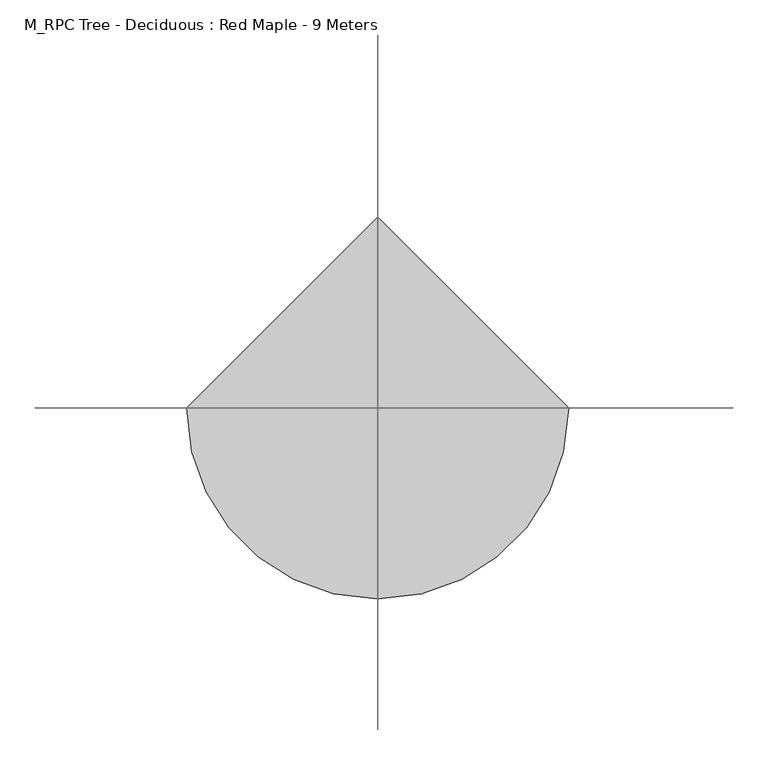
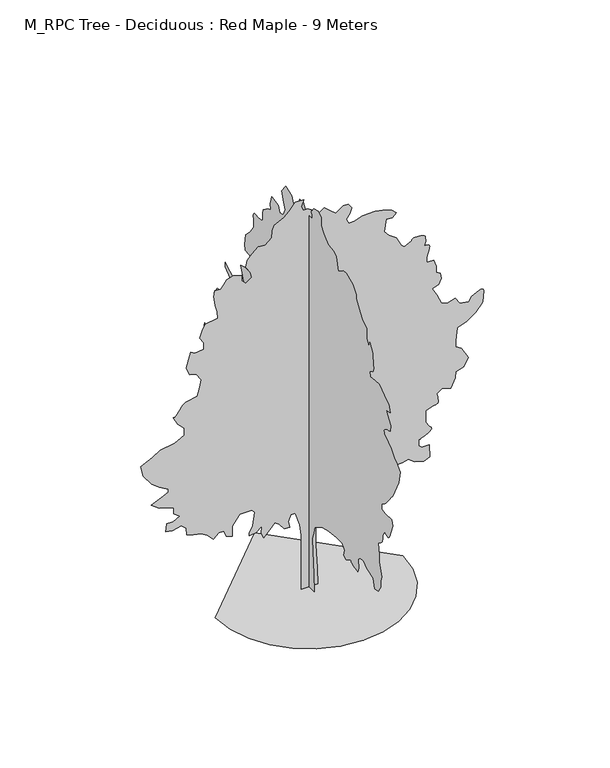
"""IFC4 building model written with IfcOpenShell, lengths in millimetres: geographic element geometry, M_RPC Tree - Deciduous : Red Maple - 9 Meters."""

from ifc_helpers import new_model, si_unit, origin, place, context, project, spatial, triangles, source, transform, mapped, element, save


def m_rpc_tree_deciduous_red_maple_9_meters_3358a221(model_context):
    return source(origin(), model_context, "Body", "Tessellation", [
        triangles([(5.8e-06, 197.3661507, 0.0129526), (5.8e-06, -197.3841547, 0.0129526), (5.8e-06, -171.0676469, 394.7628227), (5.8e-06, -144.750367, 907.9407286), (5.8e-06, -131.5926036, 1197.4234949), (5.8e-06, -171.0676469, 1342.1660408), (5.8e-06, -223.7014255, 1513.2237682), (5.8e-06, -315.8102654, 1565.8587822), (5.8e-06, -526.342909, 1684.2838211), (5.8e-06, -750.035614, 1736.9163643), (5.8e-06, -1052.6783329, 1776.3914257), (5.8e-06, -1263.2109764, 1776.3914257), (5.8e-06, -1355.318581, 1671.1238686), (5.8e-06, -1315.8435196, 1526.38125), (5.8e-06, -1421.1110767, 1486.9061886), (5.8e-06, -1592.1712749, 1579.016264), (5.8e-06, -1595.2388203, 1567.7362839), (5.8e-06, -1599.8038033, 1556.4587746), (5.8e-06, -1607.3613361, 1545.1812653), (5.8e-06, -1619.4088566, 1533.9012852), (5.8e-06, -1637.4388607, 1522.6237759), (5.8e-06, -1662.9487862, 1511.3436504), (5.8e-06, -1697.4363613, 1500.0661411), (5.8e-06, -1733.4588718, 1490.3212418), (5.8e-06, -1763.2689709, 1483.3386738), (5.8e-06, -1787.8963921, 1478.6611977), (5.8e-06, -1808.3814789, 1475.8212547), (5.8e-06, -1825.7589066, 1474.3636402), (5.8e-06, -1841.0665478, 1473.826173), (5.8e-06, -1855.3364616, 1473.7487068), (5.8e-06, -1881.6540413, 1565.8587822), (5.8e-06, -1868.4965595, 1763.2339439), (5.8e-06, -1947.446537, 1842.1839214), (5.8e-06, -2079.029203, 1855.3415485), (5.8e-06, -2184.2967602, 1750.0738461), (5.8e-06, -2434.3044651, 1671.1238686), (5.8e-06, -2500.1020477, 1473.7487068), (5.8e-06, -2618.5270866, 1486.9061886), (5.8e-06, -2723.7770576, 1644.8087597), (5.8e-06, -2723.7770576, 1776.3914257), (5.8e-06, -2750.102195, 1881.6589828), (5.8e-06, -2658.0020027, 2184.299231), (5.8e-06, -2658.0020027, 2355.3594292), (5.8e-06, -2631.6771561, 2618.5270866), (5.8e-06, -2634.7022621, 2618.6770775), (5.8e-06, -2639.0019997, 2619.7520119), (5.8e-06, -2645.8271645, 2622.677124), (5.8e-06, -2656.4520973, 2628.3520683), (5.8e-06, -2672.1523018, 2637.702079), (5.8e-06, -2694.1771202, 2651.6770981), (5.8e-06, -2723.7770576, 2671.1520721), (5.8e-06, -2752.6273315, 2695.2520546), (5.8e-06, -2772.5022812, 2722.1021599), (5.8e-06, -2784.9021057, 2751.2521248), (5.8e-06, -2791.3022964, 2782.2522675), (5.8e-06, -2793.227179, 2814.6273262), (5.8e-06, -2792.1522446, 2847.9273285), (5.8e-06, -2789.5771111, 2881.7023018), (5.8e-06, -2868.5272339, 3013.2774101), (5.8e-06, -2899.4523811, 2993.9524269), (5.8e-06, -2929.8022728, 2977.0272972), (5.8e-06, -2958.9775269, 2964.9524529), (5.8e-06, -2986.4523033, 2960.1024582), (5.8e-06, -3011.6275108, 2964.9524529), (5.8e-06, -3033.902314, 2981.8522934), (5.8e-06, -3052.7523262, 3013.2774101), (5.8e-06, -3184.3274345, 3329.0776108), (5.8e-06, -3144.8525185, 3460.6527191), (5.8e-06, -2894.8523712, 3447.5026497), (5.8e-06, -2750.102195, 3460.6527191), (5.8e-06, -2763.2522644, 3592.2528259), (5.8e-06, -2797.1272316, 3612.2280602), (5.8e-06, -2831.2521835, 3633.7029121), (5.8e-06, -2865.8024002, 3658.1778717), (5.8e-06, -2901.0522835, 3687.1528473), (5.8e-06, -2937.227401, 3722.1030396), (5.8e-06, -2974.5774467, 3764.5280663), (5.8e-06, -3013.2774101, 3815.9281265), (5.8e-06, -3049.3025368, 3866.5782326), (5.8e-06, -3079.102462, 3906.8530998), (5.8e-06, -3103.7274124, 3938.5032028), (5.8e-06, -3124.2276146, 3963.2531456), (5.8e-06, -3141.6024261, 3982.8031151), (5.8e-06, -3156.902655, 3998.9282936), (5.8e-06, -3171.1776558, 4013.3032883), (5.8e-06, -3394.8776642, 4460.7035957), (5.8e-06, -3460.6527191, 4750.1789497), (5.8e-06, -3315.9275414, 4908.0789047), (5.8e-06, -3250.1274879, 4921.2292648), (5.8e-06, -3105.3776024, 5105.4540665), (5.8e-06, -3013.2774101, 5171.2541199), (5.8e-06, -2976.8773064, 5188.2792435), (5.8e-06, -2941.9524033, 5206.0043243), (5.8e-06, -2910.027317, 5225.1043213), (5.8e-06, -2882.6022469, 5246.2791916), (5.8e-06, -2861.1773918, 5270.2294739), (5.8e-06, -2847.2023727, 5297.6045471), (5.8e-06, -2842.2023872, 5329.1543655), (5.8e-06, -2849.1272552, 5359.9042328), (5.8e-06, -2868.4522385, 5385.1544357), (5.8e-06, -2898.1524605, 5405.8043381), (5.8e-06, -2936.1274681, 5422.7544662), (5.8e-06, -2980.3273865, 5436.9541809), (5.8e-06, -3028.6523438, 5449.3045898), (5.8e-06, -3079.0524651, 5460.7294739), (5.8e-06, -3092.227533, 5605.4793594), (5.8e-06, -3026.4274796, 5710.7293304), (5.8e-06, -2921.1522194, 5855.4797974), (5.8e-06, -3079.0524651, 5894.9547134), (5.8e-06, -3026.4274796, 6052.8549591), (5.8e-06, -2855.3771645, 6158.1299286), (5.8e-06, -2658.0020027, 6302.8548157), (5.8e-06, -2486.9394791, 6289.7050369), (5.8e-06, -2329.0393787, 6276.5552582), (5.8e-06, -2302.7217991, 6381.8052292), (5.8e-06, -2381.6719219, 6434.4549225), (5.8e-06, -2395.6744102, 6437.4803192), (5.8e-06, -2409.1019337, 6441.7800568), (5.8e-06, -2421.3769112, 6448.6052216), (5.8e-06, -2431.9269939, 6459.2301544), (5.8e-06, -2440.174601, 6474.9303589), (5.8e-06, -2445.5443314, 6496.9551773), (5.8e-06, -2447.464563, 6526.5551147), (5.8e-06, -2446.3120171, 6563.455188), (5.8e-06, -2443.0918648, 6605.8805054), (5.8e-06, -2438.1420216, 6652.9305405), (5.8e-06, -2431.81203, 6703.6303528), (5.8e-06, -2424.4469273, 6757.1055771), (5.8e-06, -2416.3894249, 6812.4306885), (5.8e-06, -2407.9895016, 6868.6807434), (5.8e-06, -2302.7217991, 7052.905545), (5.8e-06, -2263.246883, 6947.6305756), (5.8e-06, -2197.4542419, 7066.0559052), (5.8e-06, -2197.4542419, 7316.0557617), (5.8e-06, -2026.3966599, 7421.3307312), (5.8e-06, -1907.9714756, 7579.2309769), (5.8e-06, -1789.5464367, 7750.2810013), (5.8e-06, -1789.5464367, 7842.406192), (5.8e-06, -1657.9612999, 8000.3064377), (5.8e-06, -1421.1110767, 8118.7317673), (5.8e-06, -1289.5285561, 8092.4066299), (5.8e-06, -1118.4684305, 7973.9813004), (5.8e-06, -1026.3608259, 8263.4566544), (5.8e-06, -934.2507505, 8329.2567078), (5.8e-06, -723.718107, 8355.5818451), (5.8e-06, -565.8179704, 8513.4820908), (5.8e-06, -460.552884, 8631.906839), (5.8e-06, -460.552884, 8816.1072235), (5.8e-06, -342.1277724, 8895.0570557), (5.8e-06, -184.2254012, 8855.5821396), (5.8e-06, -92.1178238, 8737.15681), (5.8e-06, -105.8898393, 8706.3569458), (5.8e-06, -117.7053427, 8676.8070053), (5.8e-06, -125.607849, 8649.8069092), (5.8e-06, -127.6411006, 8626.6071625), (5.8e-06, -121.8483492, 8608.4571075), (5.8e-06, -106.2730826, 8596.6316666), (5.8e-06, -78.9590612, 8592.4319229), (5.8e-06, 105.2585824, 8592.4319229), (5.8e-06, 223.6836758, 8763.4819473), (5.8e-06, 355.2677771, 8750.3321686), (5.8e-06, 421.0578383, 8592.4319229), (5.8e-06, 592.1179639, 8513.4820908), (5.8e-06, 657.9080252, 8645.0571991), (5.8e-06, 881.6006939, 8737.15681), (5.8e-06, 1026.3433125, 8539.7816483), (5.8e-06, 960.5507441, 8316.106929), (5.8e-06, 907.9182009, 8171.3564621), (5.8e-06, 973.7107693, 8013.4562164), (5.8e-06, 1105.2933626, 7987.1316605), (5.8e-06, 1157.9259058, 8131.881546), (5.8e-06, 1421.0936359, 8158.2066833), (5.8e-06, 1473.7286499, 7973.9813004), (5.8e-06, 1447.4112156, 7842.406192), (5.8e-06, 1565.8362545, 7802.9312759), (5.8e-06, 1736.8938366, 7671.3311691), (5.8e-06, 1750.0539345, 7579.2309769), (5.8e-06, 1750.0539345, 7421.3307312), (5.8e-06, 1815.8439594, 7381.8558151), (5.8e-06, 1973.7440598, 7381.8558151), (5.8e-06, 2004.5116585, 7387.106076), (5.8e-06, 2033.7816742, 7390.055896), (5.8e-06, 2060.05914, 7388.4059967), (5.8e-06, 2081.8492344, 7379.8559372), (5.8e-06, 2097.654229, 7362.1058578), (5.8e-06, 2105.9791569, 7332.8309006), (5.8e-06, 2105.3291965, 7289.7556229), (5.8e-06, 2100.4566742, 7242.4306046), (5.8e-06, 2096.9666256, 7201.3557861), (5.8e-06, 2094.6266521, 7165.4556519), (5.8e-06, 2093.2066807, 7133.6808472), (5.8e-06, 2092.476638, 7105.0308517), (5.8e-06, 2092.2092125, 7078.4307312), (5.8e-06, 2092.1717148, 7052.905545), (5.8e-06, 2223.7542355, 6868.6807434), (5.8e-06, 2394.8119629, 6697.6301376), (5.8e-06, 2434.2870243, 6447.6052826), (5.8e-06, 2407.9719154, 6329.179953), (5.8e-06, 2276.3867786, 6316.0301743), (5.8e-06, 2171.1216923, 6289.7050369), (5.8e-06, 2092.1717148, 6118.6550125), (5.8e-06, 2197.4368011, 5921.2798508), (5.8e-06, 2434.2870243, 5921.2798508), (5.8e-06, 2592.1769508, 5868.6295761), (5.8e-06, 2460.6044586, 5526.5295273), (5.8e-06, 2579.0271721, 5394.9294205), (5.8e-06, 2907.9774422, 5434.4043365), (5.8e-06, 3000.1023422, 5487.0546112), (5.8e-06, 3184.3024361, 5579.1542221), (5.8e-06, 3171.1526573, 5487.0546112), (5.8e-06, 2934.3022888, 5276.5040909), (5.8e-06, 2842.2023872, 4987.0293182), (5.8e-06, 2947.4523582, 4763.3287285), (5.8e-06, 3092.2025345, 4776.5037964), (5.8e-06, 3095.3776314, 4790.453817), (5.8e-06, 3100.752594, 4803.6288849), (5.8e-06, 3110.5025803, 4815.1787613), (5.8e-06, 3126.8024574, 4824.3037857), (5.8e-06, 3151.8526726, 4830.204007), (5.8e-06, 3187.8525101, 4832.0788925), (5.8e-06, 3236.9527107, 4829.1287819), (5.8e-06, 3473.8027885, 4802.8039352), (5.8e-06, 3592.2278275, 4631.7536201), (5.8e-06, 3552.7529114, 4447.5285278), (5.8e-06, 3408.0027351, 4342.2785568), (5.8e-06, 3289.5776962, 4052.7782043), (5.8e-06, 3342.2026817, 3868.5781105), (5.8e-06, 3394.8526657, 3802.7780571), (5.8e-06, 3526.427774, 3579.077758), (5.8e-06, 3789.6029892, 3605.4028954), (5.8e-06, 3960.6533043, 3710.6778648), (5.8e-06, 4013.2782898, 3473.827787), (5.8e-06, 3763.2781425, 3355.4027481), (5.8e-06, 3592.2278275, 3302.7527641), (5.8e-06, 3473.8027885, 3039.6025475), (5.8e-06, 3408.0027351, 2881.7023018), (5.8e-06, 3329.0526123, 2658.0020027), (5.8e-06, 3184.3024361, 2684.32714), (5.8e-06, 2960.6274261, 2723.8020561), (5.8e-06, 2776.4023338, 2684.32714), (5.8e-06, 2644.8272255, 2473.7844681), (5.8e-06, 2815.8772499, 2302.726886), (5.8e-06, 2973.7774956, 2276.4093063), (5.8e-06, 3000.1023422, 2026.3991306), (5.8e-06, 2988.6274612, 2001.2715946), (5.8e-06, 2976.0023598, 1977.6416416), (5.8e-06, 2961.0773987, 1957.0016224), (5.8e-06, 2942.7023575, 1940.8515907), (5.8e-06, 2919.7273064, 1930.6865135), (5.8e-06, 2891.0023155, 1928.001503), (5.8e-06, 2855.352166, 1934.291526), (5.8e-06, 2818.1774002, 1946.7215813), (5.8e-06, 2785.1523811, 1961.2215683), (5.8e-06, 2755.5771515, 1977.4490662), (5.8e-06, 2728.7523354, 1995.0591831), (5.8e-06, 2704.0271004, 2013.7016499), (5.8e-06, 2680.6520737, 2033.0366615), (5.8e-06, 2657.9770042, 2052.7167103), (5.8e-06, 2565.8771027, 2157.9842674), (5.8e-06, 2548.8019821, 2185.796814), (5.8e-06, 2530.801918, 2211.3067394), (5.8e-06, 2510.9769653, 2232.2143295), (5.8e-06, 2488.3795074, 2246.2168179), (5.8e-06, 2462.0994255, 2251.011874), (5.8e-06, 2431.219479, 2244.2993477), (5.8e-06, 2394.8119629, 2223.7767632), (5.8e-06, 2349.1993401, 2197.1142918), (5.8e-06, 2292.5368103, 2173.2142971), (5.8e-06, 2226.6693192, 2151.6167782), (5.8e-06, 2153.4342545, 2131.8592632), (5.8e-06, 2074.6767071, 2113.484222), (5.8e-06, 1992.236681, 2096.0291828), (5.8e-06, 1907.9540348, 2079.0341446), (5.8e-06, 1697.4189205, 2026.3991306), (5.8e-06, 1763.2114162, 1894.8164646), (5.8e-06, 1973.7440598, 1763.2339439), (5.8e-06, 2079.0116169, 1592.1737457), (5.8e-06, 1894.7940823, 1526.38125), (5.8e-06, 1869.3215092, 1526.5736801), (5.8e-06, 1843.2739712, 1527.9161854), (5.8e-06, 1816.0740326, 1531.5611664), (5.8e-06, 1787.1489086, 1538.6586983), (5.8e-06, 1755.9214542, 1550.3587109), (5.8e-06, 1721.8164139, 1567.8137501), (5.8e-06, 1684.2612934, 1592.1737457), (5.8e-06, 1645.5537724, 1620.7538326), (5.8e-06, 1608.2262543, 1650.0238483), (5.8e-06, 1572.0512821, 1679.8712997), (5.8e-06, 1536.796312, 1710.1764267), (5.8e-06, 1502.2312706, 1740.8289162), (5.8e-06, 1468.1262302, 1771.7114788), (5.8e-06, 1434.2511177, 1802.7090054), (5.8e-06, 1171.085931, 1881.6589828), (5.8e-06, 960.5507441, 1921.1340443), (5.8e-06, 750.0181005, 1973.7665874), (5.8e-06, 539.4829499, 1934.291526), (5.8e-06, 249.9999474, 1829.0239689), (5.8e-06, 171.0498791, 1723.7588825), (5.8e-06, 105.2585824, 1539.5412025), (5.8e-06, 78.9410663, 1276.3735451), (5.8e-06, 105.2585824, 921.0982103), (5.8e-06, 157.8911256, 407.9228116), (-2052.3641155, 0.0, 0.0), (-1998.1066715, -470.2653726, 0.0), (-1843.5815105, -902.1307634, 0.0), (-1601.1612785, -1283.2184761, 0.0), (-1283.2184761, -1601.1612785, 0.0), (-902.1307634, -1843.5815105, 0.0), (-470.2653726, -1998.1066715, 0.0), (8.97e-05, -2052.3641155, 0.0), (470.2653726, -1998.1066715, 0.0), (902.1307634, -1843.5815105, 0.0), (1283.2184761, -1601.1612785, 0.0), (1601.1612785, -1283.2184761, 0.0), (1843.5815105, -902.1307634, 0.0), (1998.1066715, -470.2653726, 0.0), (2052.3641155, 0.0001799, 0.0), (-0.0002691, 2052.3641155, 0.0), (196.7396627, 0.0002249, 0.0051811), (-167.0323917, 0.0002249, 0.0051811), (-167.0323917, 0.0001889, 673.6580086), (-167.0323917, 0.0001619, 1023.9583563), (-167.0323917, 0.0001529, 1252.9985184), (-207.4516724, 0.0001349, 1508.988707), (-301.7627399, 0.0001169, 1805.3940159), (-396.0753153, 0.0001169, 1805.3940159), (-449.967847, 0.0001259, 1657.1912888), (-423.0203276, 0.0001349, 1522.4612858), (-544.2779334, 0.0001349, 1535.9337193), (-652.0630331, 0.0001259, 1670.6638676), (-746.3755903, 0.0001259, 1738.0289417), (-854.1581829, 0.0001259, 1616.7713722), (-988.8883312, 0.0001349, 1482.0412239), (-1042.7808266, 0.0001349, 1603.2987934), (-1029.3083204, 0.0001259, 1764.9764248), (-1164.0384687, 0.0001259, 1657.1912888), (-1312.243594, 0.0001259, 1643.7188553), (-1312.243594, 0.0001259, 1711.0839294), (-1231.4034702, 0.0001169, 1845.8139324), (-1190.9859518, 9.89e-05, 2142.2217121), (-1258.3509533, 9.89e-05, 2209.5867863), (-1514.3386711, 9.89e-05, 2209.5867863), (-1676.0138317, 0.0001079, 1980.5440807), (-1676.0138317, 0.0001169, 1886.2339943), (-1676.0138317, 0.0001259, 1751.503846), (-1810.7464508, 0.0001169, 1805.3940159), (-1864.6389462, 0.0001079, 1940.126635), (-1972.4216114, 0.0001079, 1940.126635), (-2093.6791809, 0.0001169, 1832.3414989), (-2228.4093292, 0.0001079, 1967.0716473), (-2363.1419483, 0.0001079, 2047.9091549), (-2538.3020416, 9.89e-05, 2088.3292168), (-2673.0272484, 9.89e-05, 2142.2217121), (-2686.502298, 8.99e-05, 2290.4242939), (-2794.2771149, 8.1e-05, 2384.7369965), (-2996.3772789, 8.99e-05, 2344.3169346), (-3131.1024857, 8.1e-05, 2371.2644176), (-3117.6274361, 7.2e-05, 2546.4021286), (-2969.4274704, 7.2e-05, 2546.4021286), (-2834.7022636, 7.2e-05, 2627.2521355), (-2955.9524208, 6.3e-05, 2721.5521935), (-2955.9524208, 5.4e-05, 2856.3023987), (-3090.6776276, 5.4e-05, 2910.1773079), (-3279.302742, 5.4e-05, 2964.0775063), (-3454.4528069, 4.5e-05, 3098.8024223), (-3238.8775932, 3.6e-05, 3193.1274788), (-3077.202578, 3.6e-05, 3260.4777283), (-3077.202578, 2.7e-05, 3327.8526855), (-3279.302742, 1.8e-05, 3449.1028427), (-3440.9777573, 1.8e-05, 3570.3779984), (-3629.6028717, 0.0, 3826.3530716), (-3683.5030701, -1.8e-05, 4068.8783844), (-3575.7279625, -1.8e-05, 4122.7532936), (-3427.5027077, -2.7e-05, 4190.1282509), (-3252.3526428, -2.7e-05, 4297.9033585), (-2942.4773712, -3.6e-05, 4351.8035568), (-2726.9021576, -3.6e-05, 4459.5786644), (-2726.9021576, -4.5e-05, 4621.2536797), (-2875.1274124, -5.4e-05, 4769.4789345), (-2969.4274704, -7.2e-05, 4944.6289993), (-2960.6274261, -7.2e-05, 4942.0541565), (-2951.0024323, -7.2e-05, 4941.5041901), (-2939.7272484, -7.2e-05, 4944.978978), (-2925.9775063, -7.2e-05, 4954.4289825), (-2908.9273842, -7.2e-05, 4971.9040787), (-2887.7772217, -7.2e-05, 4999.4041443), (-2861.6523628, -7.2e-05, 5038.9290573), (-2833.9523094, -7.2e-05, 5080.8038269), (-2808.3771263, -8.1e-05, 5114.904071), (-2784.5771255, -8.1e-05, 5142.5041306), (-2762.17733, -8.1e-05, 5164.9289246), (-2740.8521782, -8.1e-05, 5183.4789551), (-2720.2272743, -8.1e-05, 5199.4291443), (-2699.9770569, -8.1e-05, 5214.0794128), (-2443.9796013, -8.99e-05, 5267.9790298), (-2390.0869606, -9.89e-05, 5456.6041443), (-2363.1419483, -0.0001079, 5618.2797409), (-2470.9270844, -0.0001169, 5779.9547562), (-2605.6520004, -0.0001169, 5820.3546158), (-2686.502298, -0.0001349, 5995.5049713), (-2632.6020996, -0.0001439, 6184.1300858), (-2592.1769508, -0.0001529, 6332.3303421), (-2497.8719513, -0.0001439, 6278.4551422), (-2309.2493076, -0.0001529, 6305.4052414), (-2309.2493076, -0.0001619, 6453.6054977), (-2390.0869606, -0.0001619, 6588.3304138), (-2336.1943199, -0.0001709, 6736.5306702), (-2268.8293911, -0.0001799, 6871.2555862), (-1999.3690945, -0.0001889, 6911.6804443), (-2012.8416733, -0.0001979, 7073.3554596), (-2053.2615898, -0.0002069, 7221.5557159), (-2080.2067474, -0.0002159, 7437.1309296), (-2066.7341686, -0.0002249, 7571.8558456), (-1932.0040203, -0.0002249, 7558.3810867), (-1864.6389462, -0.0002249, 7639.2313843), (-1797.2740173, -0.0002339, 7733.5314423), (-1662.5413982, -0.0002339, 7773.9563004), (-1473.9187546, -0.0002339, 7720.056102), (-1473.9187546, -0.0002249, 7598.8059448), (-1379.6086681, -0.0002249, 7504.5058868), (-1258.3509533, -0.0002249, 7598.8059448), (-1285.2959656, -0.0002339, 7733.5314423), (-1379.6086681, -0.0002429, 7881.7311172), (-1352.6610397, -0.0002519, 8029.9563721), (-1244.876049, -0.0002609, 8137.7317703), (-1110.1459007, -0.0002698, 8258.9819275), (-961.9432463, -0.0002609, 8245.5065872), (-813.7406645, -0.0002698, 8366.7817429), (-800.2656149, -0.0002788, 8514.9819992), (-759.8480965, -0.0002878, 8636.2321564), (-557.7504395, -0.0002968, 8730.5572128), (-436.49287, -0.0002968, 8838.3320297), (-301.7627399, -0.0003058, 9000.007045), (-113.1403415, -0.0003058, 9000.007045), (-167.0323917, -0.0002968, 8851.80737), (-126.6133563, -0.0002968, 8757.4823135), (-32.3020254, -0.0002968, 8757.4823135), (48.5362907, -0.0002878, 8703.6071136), (75.4823112, -0.0002878, 8595.8067169), (237.1586891, -0.0002878, 8582.331958), (331.4702834, -0.0002878, 8649.7069153), (466.2003591, -0.0002788, 8541.9320984), (587.4579649, -0.0002788, 8434.1317017), (749.1355963, -0.0002788, 8555.4068573), (856.9206596, -0.0002788, 8555.4068573), (937.7582399, -0.0002788, 8447.6070419), (897.3382507, -0.0002698, 8312.8815445), (816.5006704, -0.0002609, 8218.5814865), (870.3932384, -0.0002609, 8110.7816711), (991.650808, -0.0002609, 8110.7816711), (1180.2734516, -0.0002609, 8178.1566284), (1449.7336029, -0.0002609, 8178.1566284), (1611.4112343, -0.0002609, 8151.2065292), (1813.5064568, -0.0002519, 8083.831572), (1907.819014, -0.0002519, 7989.531514), (1826.9790356, -0.0002429, 7895.2064575), (1692.2488873, -0.0002429, 7908.6812164), (1665.303875, -0.0002339, 7787.4310593), (1651.8288254, -0.0002249, 7639.2313843), (1746.1413826, -0.0002249, 7517.9812271), (1907.819014, -0.0002159, 7410.1808304), (2015.6016792, -0.0001979, 7194.6056168), (2082.9667534, -0.0001979, 7140.7309982), (2244.6443848, -0.0002069, 7221.5557159), (2247.8267487, -0.0002069, 7233.0305969), (2252.7742664, -0.0002069, 7244.0310883), (2261.259359, -0.0002069, 7254.0810562), (2275.0468895, -0.0002069, 7262.7311096), (2295.9043373, -0.0002069, 7269.4806976), (2325.5993271, -0.0002069, 7273.8810104), (2365.9019543, -0.0002069, 7275.4559143), (2407.7743984, -0.0002069, 7273.8810104), (2441.8695557, -0.0002069, 7269.4806976), (2469.4844398, -0.0002069, 7262.7311096), (2491.9121407, -0.0002069, 7254.0810562), (2510.4519974, -0.0002069, 7244.0310883), (2526.4018959, -0.0002069, 7233.0305969), (2541.0521645, -0.0002069, 7221.5557159), (2554.5269234, -0.0001979, 7100.3055588), (2527.5771149, -0.0001889, 7006.0055008), (2558.951944, -0.0001889, 7005.5555283), (2588.1021996, -0.0001889, 7002.5307129), (2612.7771469, -0.0001889, 6994.330632), (2630.7272141, -0.0001889, 6978.3304459), (2639.7272461, -0.0001889, 6951.9808914), (2637.5270897, -0.0001889, 6912.6553848), (2621.9021713, -0.0001799, 6857.7808273), (2602.3272034, -0.0001799, 6799.7802979), (2589.127137, -0.0001799, 6751.6553284), (2581.2270378, -0.0001709, 6711.7804367), (2577.5769699, -0.0001709, 6678.5051422), (2577.1019989, -0.0001709, 6650.2051254), (2578.7521889, -0.0001709, 6625.1804901), (2581.4770226, -0.0001709, 6601.8051727), (2729.6772789, -0.0001709, 6601.8051727), (2783.5771866, -0.0001529, 6440.1301575), (2783.5771866, -0.0001529, 6305.4052414), (2877.8772446, -0.0001439, 6251.505043), (2891.3522942, -0.0001349, 6130.2548859), (2837.4523865, -0.0001349, 6008.9797302), (2702.7271797, -0.0001259, 5955.1045303), (2797.0522362, -0.0001169, 5779.9547562), (2891.3522942, -0.0001079, 5564.3795425), (3026.0775009, -9.89e-05, 5497.0045853), (3201.2275658, -0.0001079, 5550.9042023), (3295.5526222, -9.89e-05, 5402.7045273), (3497.6277878, -8.99e-05, 5375.7544281), (3565.0027451, -9.89e-05, 5470.0544861), (3619.4779083, -9.89e-05, 5501.3043228), (3671.7279167, -9.89e-05, 5529.3293564), (3719.5029076, -0.0001079, 5551.0291946), (3760.5280197, -0.0001079, 5563.1546173), (3792.6280952, -0.0001079, 5562.5796524), (3813.5279823, -0.0001079, 5546.0794968), (3821.0031075, -9.89e-05, 5510.4793442), (3820.2031563, -9.89e-05, 5465.8541611), (3818.0029999, -9.89e-05, 5424.0793854), (3814.6282059, -8.99e-05, 5384.6294678), (3810.3031792, -8.99e-05, 5347.0794342), (3805.2781952, -8.99e-05, 5310.9543137), (3799.7779495, -8.99e-05, 5275.7541367), (3794.0530083, -8.99e-05, 5241.029512), (3645.8530426, -7.2e-05, 5079.3539154), (3457.2279282, -6.3e-05, 4931.1542404), (3241.6527145, -6.3e-05, 4863.7789925), (3214.7026154, -4.5e-05, 4567.3787704), (3214.7026154, -3.6e-05, 4432.6285652), (3335.9527725, -3.6e-05, 4351.8035568), (3484.1777367, -1.8e-05, 4095.8031944), (3389.8526802, -9e-06, 3907.2030785), (3214.7026154, 0.0, 3853.3031708), (3201.2275658, 9e-06, 3718.577964), (3106.9275078, 1.8e-05, 3503.0027504), (2918.3023933, 1.8e-05, 3570.3779984), (2801.5522522, 1.8e-05, 3481.1779198), (2800.6773056, 1.8e-05, 3482.6028328), (2800.3023285, 1.8e-05, 3481.8278801), (2800.9522888, 1.8e-05, 3476.6779037), (2803.1271561, 1.8e-05, 3464.9277489), (2807.3521889, 1.8e-05, 3444.4028389), (2814.1523552, 2.7e-05, 3412.9277252), (2823.9773369, 2.7e-05, 3368.2778343), (2830.0272583, 2.7e-05, 3322.9776924), (2826.1772026, 2.7e-05, 3289.7026886), (2814.0773598, 3.6e-05, 3266.4526543), (2795.4023369, 3.6e-05, 3251.202713), (2771.752327, 3.6e-05, 3241.9776947), (2744.8022278, 3.6e-05, 3236.7527229), (2716.2022293, 3.6e-05, 3233.5276291), (2554.5269234, 3.6e-05, 3179.6524292), (2554.5269234, 5.4e-05, 2910.1773079), (2635.3522224, 6.3e-05, 2788.9271507), (2655.0521828, 6.3e-05, 2771.5273407), (2671.5520477, 6.3e-05, 2753.652269), (2681.6773018, 6.3e-05, 2734.8272552), (2682.2522667, 6.3e-05, 2714.602327), (2670.1271347, 6.3e-05, 2692.5022224), (2642.0771027, 7.2e-05, 2668.0272629), (2594.9520721, 7.2e-05, 2640.7271851), (2543.4770164, 7.2e-05, 2615.3769882), (2503.35214, 7.2e-05, 2596.4269821), (2472.6243645, 7.2e-05, 2582.7519447), (2449.4496162, 7.2e-05, 2573.3269386), (2431.9319355, 7.2e-05, 2567.0770294), (2418.1845188, 7.2e-05, 2562.9519905), (2406.3218708, 7.2e-05, 2559.8771782), (2406.3218708, 8.1e-05, 2425.156913), (2473.6870903, 8.99e-05, 2357.7893681), (2635.3522224, 8.99e-05, 2357.7893681), (2648.827272, 9.89e-05, 2074.856638), (2514.1020653, 0.0001079, 2020.9641426), (2312.0093136, 9.89e-05, 2088.3292168), (2177.2793106, 9.89e-05, 2182.641774), (2042.5491623, 9.89e-05, 2155.6942909), (1800.0340233, 9.89e-05, 2142.2217121), (1651.8288254, 9.89e-05, 2101.8016502), (1638.3563919, 0.0001169, 1913.1790066), (1490.1536648, 0.0001169, 1899.7065731), (1301.5310211, 0.0001169, 1913.1790066), (1220.6910427, 0.0001169, 1791.9214371), (937.7582399, 0.0001259, 1751.503846), (722.1881132, 0.0001169, 1805.3940159), (722.1881132, 0.0001349, 1589.8262146), (547.0404465, 0.0001349, 1603.2987934), (493.1479148, 0.0001259, 1711.0839294), (398.8353212, 0.0001259, 1670.6638676), (291.0502397, 0.0001259, 1670.6638676), (250.6327031, 0.0001169, 1791.9214371), (142.8473672, 0.0001259, 1670.6638676), (129.3743524, 0.0001349, 1522.4612858), (142.8473672, 0.0001529, 1293.4185802), (142.8473672, 0.0001709, 916.1732203), (183.2666479, 0.0002069, 377.2503016)], [[130, 131, 132], [208, 209, 210], [208, 210, 211], [207, 208, 211], [230, 231, 232], [230, 232, 233], [276, 277, 278], [229, 230, 233], [229, 233, 234], [302, 1, 2], [302, 2, 3], [302, 3, 4], [301, 302, 4], [301, 4, 5], [300, 301, 5], [300, 5, 6], [299, 300, 6], [299, 6, 7], [108, 109, 110], [203, 204, 205], [206, 207, 211], [206, 211, 212], [108, 110, 111], [202, 203, 205], [13, 14, 15], [13, 15, 16], [236, 237, 238], [171, 172, 173], [170, 171, 173], [170, 173, 174], [36, 37, 38], [36, 38, 39], [36, 39, 40], [275, 276, 278], [275, 278, 279], [275, 279, 280], [275, 280, 281], [275, 281, 282], [275, 282, 283], [275, 283, 284], [275, 284, 285], [275, 285, 286], [275, 286, 287], [275, 287, 288], [275, 288, 289], [275, 289, 290], [274, 275, 290], [274, 290, 291], [274, 291, 292], [67, 68, 69], [66, 67, 69], [164, 165, 166], [164, 166, 167], [163, 164, 167], [163, 167, 168], [242, 243, 244], [29, 30, 31], [104, 105, 106], [197, 198, 199], [28, 29, 31], [298, 299, 7], [66, 69, 70], [65, 66, 70], [64, 65, 70], [63, 64, 70], [62, 63, 70], [61, 62, 70], [60, 61, 70], [59, 60, 70], [27, 28, 31], [150, 151, 152], [160, 161, 162], [159, 160, 162], [196, 197, 199], [195, 196, 199], [195, 199, 200], [26, 27, 31], [133, 134, 135], [242, 244, 245], [242, 245, 246], [242, 246, 247], [242, 247, 248], [242, 248, 249], [242, 249, 250], [242, 250, 251], [242, 251, 252], [242, 252, 253], [242, 253, 254], [242, 254, 255], [242, 255, 256], [242, 256, 257], [242, 257, 258], [242, 258, 259], [241, 242, 259], [241, 259, 260], [241, 260, 261], [241, 261, 262], [241, 262, 263], [241, 263, 264], [298, 7, 8], [274, 292, 293], [147, 148, 149], [147, 149, 150], [147, 150, 152], [147, 152, 153], [147, 153, 154], [147, 154, 155], [147, 155, 156], [36, 40, 41], [36, 41, 42], [35, 36, 42], [34, 35, 42], [34, 42, 43], [86, 87, 88], [86, 88, 89], [34, 43, 44], [104, 106, 107], [103, 104, 107], [102, 103, 107], [25, 26, 31], [25, 31, 32], [24, 25, 32], [23, 24, 32], [22, 23, 32], [21, 22, 32], [20, 21, 32], [19, 20, 32], [18, 19, 32], [17, 18, 32], [16, 17, 32], [13, 16, 32], [12, 13, 32], [102, 107, 108], [101, 102, 108], [129, 130, 132], [146, 147, 156], [100, 101, 108], [236, 238, 239], [146, 156, 157], [221, 222, 223], [221, 223, 224], [221, 224, 225], [220, 221, 225], [219, 220, 225], [218, 219, 225], [217, 218, 225], [216, 217, 225], [215, 216, 225], [214, 215, 225], [213, 214, 225], [213, 225, 226], [33, 34, 44], [235, 236, 239], [298, 8, 9], [297, 298, 9], [12, 32, 33], [58, 59, 70], [175, 176, 177], [85, 86, 89], [85, 89, 90], [85, 90, 91], [85, 91, 92], [84, 85, 92], [84, 92, 93], [83, 84, 93], [82, 83, 93], [82, 93, 94], [81, 82, 94], [80, 81, 94], [80, 94, 95], [79, 80, 95], [12, 33, 44], [78, 79, 95], [77, 78, 95], [76, 77, 95], [75, 76, 95], [74, 75, 95], [73, 74, 95], [72, 73, 95], [71, 72, 95], [71, 95, 96], [108, 111, 112], [108, 112, 113], [100, 108, 113], [100, 113, 114], [99, 100, 114], [98, 99, 114], [194, 195, 200], [128, 129, 132], [137, 138, 139], [175, 177, 178], [174, 175, 178], [241, 264, 265], [139, 140, 141], [139, 141, 142], [137, 139, 142], [229, 234, 235], [229, 235, 239], [228, 229, 239], [227, 228, 239], [227, 239, 240], [226, 227, 240], [213, 226, 240], [136, 137, 142], [142, 143, 144], [142, 144, 145], [145, 146, 157], [127, 128, 132], [11, 12, 44], [170, 174, 178], [194, 200, 201], [71, 96, 97], [145, 157, 158], [169, 170, 178], [212, 213, 240], [206, 212, 240], [205, 206, 240], [205, 240, 241], [205, 241, 265], [205, 265, 266], [205, 266, 267], [205, 267, 268], [205, 268, 269], [205, 269, 270], [205, 270, 271], [205, 271, 272], [205, 272, 273], [205, 273, 274], [205, 274, 293], [205, 293, 294], [205, 294, 295], [202, 205, 295], [202, 295, 296], [201, 202, 296], [201, 296, 297], [201, 297, 9], [201, 9, 10], [201, 10, 11], [201, 11, 44], [194, 201, 44], [193, 194, 44], [193, 44, 45], [193, 45, 46], [193, 46, 47], [193, 47, 48], [193, 48, 49], [193, 49, 50], [193, 50, 51], [193, 51, 52], [193, 52, 53], [193, 53, 54], [193, 54, 55], [193, 55, 56], [193, 56, 57], [193, 57, 58], [193, 58, 70], [193, 70, 71], [193, 71, 97], [193, 97, 98], [193, 98, 114], [193, 114, 115], [192, 193, 115], [191, 192, 115], [190, 191, 115], [189, 190, 115], [188, 189, 115], [187, 188, 115], [186, 187, 115], [185, 186, 115], [184, 185, 115], [183, 184, 115], [182, 183, 115], [181, 182, 115], [180, 181, 115], [179, 180, 115], [178, 179, 115], [169, 178, 115], [168, 169, 115], [163, 168, 115], [162, 163, 115], [159, 162, 115], [158, 159, 115], [145, 158, 115], [142, 145, 115], [136, 142, 115], [135, 136, 115], [133, 135, 115], [132, 133, 115], [127, 132, 115], [126, 127, 115], [126, 115, 116], [125, 126, 116], [124, 125, 116], [123, 124, 116], [122, 123, 116], [121, 122, 116], [121, 116, 117], [120, 121, 117], [120, 117, 118], [119, 120, 118], [317, 318, 303], [316, 317, 303], [316, 303, 304], [315, 316, 304], [315, 304, 305], [315, 305, 306], [314, 315, 306], [313, 314, 306], [313, 306, 307], [313, 307, 308], [313, 308, 309], [313, 309, 310], [313, 310, 311], [313, 311, 312], [379, 380, 381], [379, 381, 382], [364, 365, 366], [344, 345, 346], [332, 333, 334], [433, 434, 435], [327, 328, 329], [401, 402, 403], [327, 329, 330], [344, 346, 347], [343, 344, 347], [332, 334, 335], [432, 433, 435], [379, 382, 383], [534, 535, 536], [336, 337, 338], [336, 338, 339], [335, 336, 339], [582, 583, 584], [582, 584, 585], [593, 319, 320], [593, 320, 321], [592, 593, 321], [592, 321, 322], [591, 592, 322], [591, 322, 323], [412, 413, 414], [331, 332, 335], [591, 323, 324], [590, 591, 324], [568, 569, 570], [568, 570, 571], [568, 571, 572], [568, 572, 573], [567, 568, 573], [348, 349, 350], [532, 533, 534], [454, 455, 456], [454, 456, 457], [453, 454, 457], [357, 358, 359], [356, 357, 359], [355, 356, 359], [355, 359, 360], [363, 364, 366], [363, 366, 367], [589, 590, 324], [589, 324, 325], [576, 577, 578], [371, 372, 373], [335, 339, 340], [379, 383, 384], [504, 505, 506], [440, 441, 442], [417, 418, 419], [326, 327, 330], [494, 495, 496], [586, 587, 588], [362, 363, 367], [432, 435, 436], [588, 589, 325], [326, 330, 331], [352, 353, 354], [585, 586, 588], [452, 453, 457], [331, 335, 340], [379, 384, 385], [416, 417, 419], [415, 416, 419], [411, 412, 414], [531, 532, 534], [528, 529, 530], [528, 530, 531], [527, 528, 531], [431, 432, 436], [414, 415, 419], [411, 414, 419], [411, 419, 420], [410, 411, 420], [409, 410, 420], [576, 578, 579], [371, 373, 374], [370, 371, 374], [370, 374, 375], [369, 370, 375], [369, 375, 376], [368, 369, 376], [368, 376, 377], [407, 408, 409], [452, 457, 458], [451, 452, 458], [450, 451, 458], [450, 458, 459], [497, 498, 499], [497, 499, 500], [497, 500, 501], [445, 446, 447], [444, 445, 447], [443, 444, 447], [443, 447, 448], [326, 331, 340], [360, 361, 362], [494, 496, 497], [405, 406, 407], [405, 407, 409], [398, 399, 400], [398, 400, 401], [398, 401, 403], [398, 403, 404], [397, 398, 404], [579, 580, 581], [494, 497, 501], [425, 426, 427], [379, 385, 386], [429, 430, 431], [527, 531, 534], [477, 478, 479], [476, 477, 479], [475, 476, 479], [474, 475, 479], [473, 474, 479], [473, 479, 480], [472, 473, 480], [471, 472, 480], [470, 471, 480], [469, 470, 480], [468, 469, 480], [467, 468, 480], [466, 467, 480], [465, 466, 480], [464, 465, 480], [463, 464, 480], [566, 567, 573], [566, 573, 574], [566, 574, 575], [428, 429, 431], [428, 431, 436], [422, 423, 424], [422, 424, 425], [422, 425, 427], [421, 422, 427], [342, 343, 347], [437, 438, 439], [436, 437, 439], [428, 436, 439], [378, 379, 386], [378, 386, 387], [378, 387, 388], [378, 388, 389], [378, 389, 390], [378, 390, 391], [378, 391, 392], [378, 392, 393], [378, 393, 394], [378, 394, 395], [582, 585, 588], [351, 352, 354], [513, 514, 515], [512, 513, 515], [511, 512, 515], [511, 515, 516], [510, 511, 516], [510, 516, 517], [509, 510, 517], [509, 517, 518], [509, 518, 519], [508, 509, 519], [507, 508, 519], [507, 519, 520], [507, 520, 521], [507, 521, 522], [507, 522, 523], [507, 523, 524], [506, 507, 524], [506, 524, 525], [504, 506, 525], [503, 504, 525], [354, 355, 360], [579, 581, 582], [342, 347, 348], [342, 348, 350], [342, 350, 351], [342, 351, 354], [342, 354, 360], [342, 360, 362], [342, 362, 367], [342, 367, 368], [342, 368, 377], [341, 342, 377], [449, 450, 459], [527, 534, 536], [404, 405, 409], [341, 377, 378], [341, 378, 395], [341, 395, 396], [503, 525, 526], [440, 442, 443], [555, 556, 557], [554, 555, 557], [554, 557, 558], [553, 554, 558], [552, 553, 558], [552, 558, 559], [551, 552, 559], [551, 559, 560], [551, 560, 561], [551, 561, 562], [551, 562, 563], [551, 563, 564], [551, 564, 565], [551, 565, 566], [551, 566, 575], [550, 551, 575], [550, 575, 576], [460, 461, 462], [483, 484, 485], [482, 483, 485], [482, 485, 486], [481, 482, 486], [481, 486, 487], [480, 481, 487], [480, 487, 488], [463, 480, 488], [463, 488, 489], [463, 489, 490], [463, 490, 491], [463, 491, 492], [463, 492, 493], [463, 493, 494], [463, 494, 501], [341, 396, 397], [340, 341, 397], [326, 340, 397], [325, 326, 397], [588, 325, 397], [582, 588, 397], [579, 582, 397], [576, 579, 397], [550, 576, 397], [550, 397, 404], [550, 404, 409], [550, 409, 420], [550, 420, 421], [549, 550, 421], [549, 421, 427], [549, 427, 428], [549, 428, 439], [549, 439, 440], [549, 440, 443], [549, 443, 448], [549, 448, 449], [549, 449, 459], [549, 459, 460], [549, 460, 462], [549, 462, 463], [549, 463, 501], [549, 501, 502], [549, 502, 503], [548, 549, 503], [547, 548, 503], [526, 527, 536], [503, 526, 536], [544, 545, 546], [543, 544, 546], [543, 546, 547], [542, 543, 547], [541, 542, 547], [540, 541, 547], [503, 536, 537], [547, 503, 537], [547, 537, 538], [547, 538, 539], [540, 547, 539]], closed=False),
    ])


if __name__ == "__main__":
    model = new_model("IFC4")
    model_context = context("Model", 3, world=origin())
    ifc_project = project(units=[si_unit("LENGTHUNIT", "METRE", prefix="MILLI")], contexts=[model_context])
    site = spatial("IfcSite", under=ifc_project)
    building = spatial("IfcBuilding", under=site)
    placement = place(None, origin())
    m_rpc_tree_deciduous_red_maple_9_meters_shape = m_rpc_tree_deciduous_red_maple_9_meters_3358a221(model_context)
    element("IfcGeographicElement", 1, ObjectType="M_RPC Tree - Deciduous : Red Maple - 9 Meters", at=placement, inside=building, context=model_context, shape_type="MappedRepresentation", body=[
        mapped(m_rpc_tree_deciduous_red_maple_9_meters_shape, transform((0.0, 0.0, 0.0), x_axis=(1.0, 0.0, 0.0), y_axis=(0.0, 1.0, 0.0), z_axis=(0.0, 0.0, 1.0))),
    ])
    save(model, "model.ifc")
